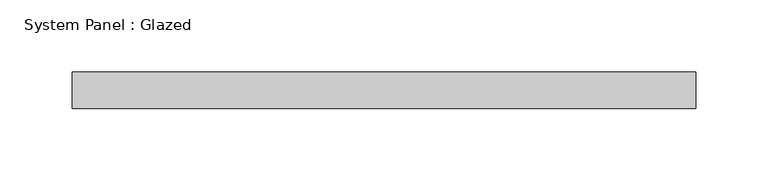
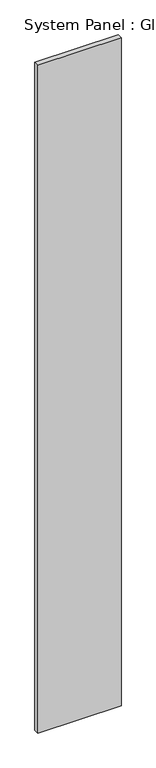
"""IFC4 building model written with IfcOpenShell, lengths in millimetres: plate geometry, System Panel : Glazed."""

from ifc_helpers import new_model, si_unit, origin, origin_with_axes, place, context, project, spatial, polyline, outline, extrude, source, transform, mapped, element, save


def system_panel_glazed_8145bb83(model_context):
    return source(origin(), model_context, "Body", "SweptSolid", [
        extrude(outline(polyline([(215.7777609, 19.05), (-215.7777609, 19.05), (-215.7777609, 44.45), (215.7777609, 44.45), (215.7777609, 19.05)])), origin_with_axes(), (0.0, 0.0, 1.0), 3657.6),
    ])


if __name__ == "__main__":
    model = new_model("IFC4")
    model_context = context("Model", 3, world=origin())
    ifc_project = project(units=[si_unit("LENGTHUNIT", "METRE", prefix="MILLI")], contexts=[model_context])
    site = spatial("IfcSite", under=ifc_project)
    building = spatial("IfcBuilding", under=site)
    placement = place(None, origin())
    system_panel_glazed_shape = system_panel_glazed_8145bb83(model_context)
    element("IfcPlate", 1, ObjectType="System Panel : Glazed", at=placement, inside=building, context=model_context, shape_type="MappedRepresentation", body=[
        mapped(system_panel_glazed_shape, transform((0.0, 0.0, 0.0), x_axis=(1.0, 0.0, 0.0), y_axis=(0.0, 1.0, 0.0), z_axis=(0.0, 0.0, 1.0))),
    ])
    save(model, "model.ifc")
